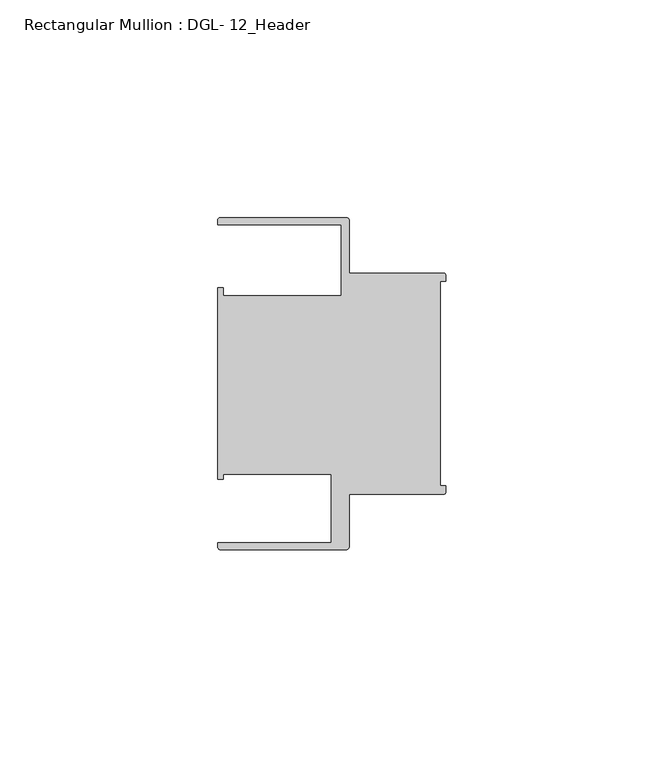
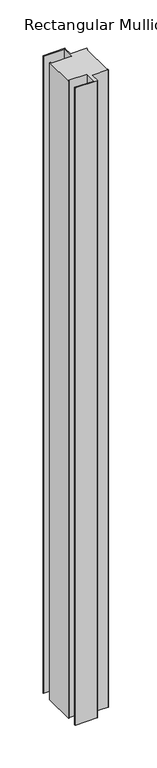
"""IFC4 building model written with IfcOpenShell, lengths in millimetres: member geometry, Rectangular Mullion : DGL- 12_Header."""

from ifc_helpers import new_model, si_unit, point, frame, frame_2d, origin, place, context, project, spatial, polyline, circle_curve, trimmed, segment, composite_curve, outline, extrude, source, transform, mapped, element, save


def rectangular_mullion_dgl_12_header_3f8abcf3(model_context):
    return source(origin(), model_context, "Body", "SweptSolid", [
        extrude(outline(composite_curve([segment(trimmed(circle_curve(frame_2d((-0.5953125, 24.8046875)), 0.5953125), [point((-0.5953125, 25.4))], [point((0.0, 24.8046875))], False, "CARTESIAN"), True, "CONTINUOUS"), segment(polyline([(0.0, 24.8046875), (0.0, 23.4882401), (-1.30175, 23.4882401), (-1.30175, -23.4882401), (0.0, -23.4882401), (0.0, -24.8046875)]), True, "CONTINUOUS"), segment(trimmed(circle_curve(frame_2d((-0.5953125, -24.8046875)), 0.5953125), [point((0.0, -24.8046875))], [point((-0.5953125, -25.4))], False, "CARTESIAN"), True, "CONTINUOUS"), segment(polyline([(-0.5953125, -25.4), (-22.2332076, -25.4), (-22.2332076, -37.5047035)]), True, "CONTINUOUS"), segment(trimmed(circle_curve(frame_2d((-22.8285201, -37.5047035)), 0.5953125), [point((-22.2332076, -37.5047035))], [point((-22.8285201, -38.100016))], False, "CARTESIAN"), True, "CONTINUOUS"), segment(polyline([(-22.8285201, -38.100016), (-51.7968699, -38.100016)]), True, "CONTINUOUS"), segment(trimmed(circle_curve(frame_2d((-51.7968699, -37.5047035)), 0.5953125), [point((-51.7968699, -38.100016))], [point((-52.3921824, -37.5047035))], False, "CARTESIAN"), True, "CONTINUOUS"), segment(polyline([(-52.3921824, -37.5047035), (-52.3921824, -36.512516), (-26.3720794, -36.512516), (-26.3720794, -20.8257348), (-51.1280305, -20.8257348), (-51.1280305, -21.9710976), (-52.3948122, -21.9710976), (-52.3948122, 21.9710976), (-51.1280305, 21.9710976), (-51.1280305, 20.1823589), (-24.0747075, 20.1823589), (-24.0747075, 36.5123462), (-52.3921824, 36.5123462), (-52.3921824, 37.5043667)]), True, "CONTINUOUS"), segment(trimmed(circle_curve(frame_2d((-51.7968699, 37.5043667)), 0.5953125), [point((-52.3921824, 37.5043667))], [point((-51.7968699, 38.0996792))], False, "CARTESIAN"), True, "CONTINUOUS"), segment(polyline([(-51.7968699, 38.0996792), (-22.8285201, 38.0996792)]), True, "CONTINUOUS"), segment(trimmed(circle_curve(frame_2d((-22.8285201, 37.5043667)), 0.5953125), [point((-22.8285201, 38.0996792))], [point((-22.2332076, 37.5043667))], False, "CARTESIAN"), True, "CONTINUOUS"), segment(polyline([(-22.2332076, 37.5043667), (-22.2332076, 25.4), (-0.5953125, 25.4)]), True, "CONTINUOUS")], self_intersect=False)), frame((0.0, 0.0, -908.05), z_axis=(0.0, 0.0, 1.0), x_axis=(1.0, 0.0, 0.0)), (0.0, 0.0, 1.0), 908.05),
    ])


if __name__ == "__main__":
    model = new_model("IFC4")
    model_context = context("Model", 3, world=origin())
    ifc_project = project(units=[si_unit("LENGTHUNIT", "METRE", prefix="MILLI")], contexts=[model_context])
    site = spatial("IfcSite", under=ifc_project)
    building = spatial("IfcBuilding", under=site)
    placement = place(None, origin())
    rectangular_mullion_dgl_12_header_shape = rectangular_mullion_dgl_12_header_3f8abcf3(model_context)
    element("IfcMember", 1, ObjectType="Rectangular Mullion : DGL- 12_Header", at=placement, inside=building, context=model_context, shape_type="MappedRepresentation", body=[
        mapped(rectangular_mullion_dgl_12_header_shape, transform((0.0, 0.0, 0.0), x_axis=(1.0, 0.0, 0.0), y_axis=(0.0, 1.0, 0.0), z_axis=(0.0, 0.0, 1.0))),
    ])
    save(model, "model.ifc")
